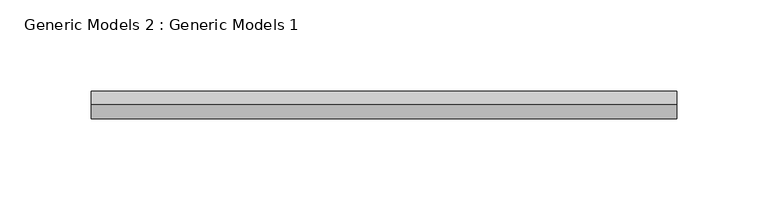
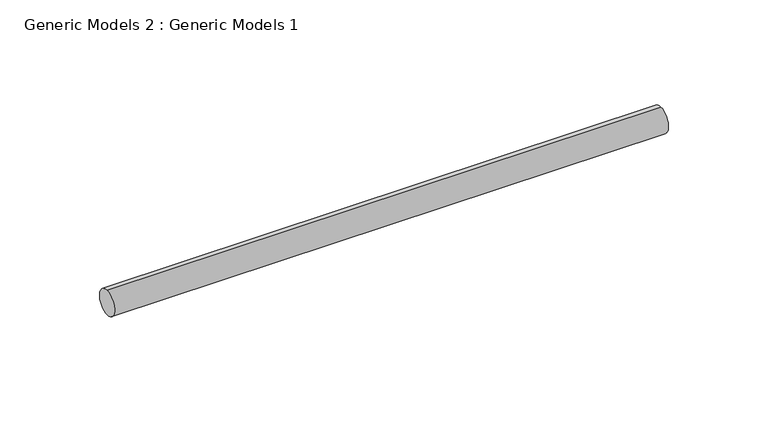
"""IFC4 building model written with IfcOpenShell, lengths in millimetres: proxy geometry, Generic Models 2 : Generic Models 1."""

from ifc_helpers import new_model, si_unit, point, frame, frame_2d, origin, place, context, project, spatial, circle_curve, trimmed, segment, composite_curve, outline, extrude, source, transform, mapped, element, save


def generic_models_2_generic_models_1_7927dd54(model_context):
    return source(origin(), model_context, "Body", "SweptSolid", [
        extrude(outline(composite_curve([segment(trimmed(circle_curve(frame_2d((400.3057469, -818.1141294)), 7.5), [point((400.3057469, -825.6141294))], [point((400.3057469, -810.6141294))], False, "CARTESIAN"), True, "CONTINUOUS"), segment(trimmed(circle_curve(frame_2d((400.3057469, -818.1141294)), 7.5), [point((400.3057469, -810.6141294))], [point((400.3057469, -825.6141294))], False, "CARTESIAN"), True, "CONTINUOUS")], self_intersect=False)), frame((1721.0795255, 0.0, 0.0), z_axis=(1.0, 0.0, 0.0), x_axis=(0.0, 1.0, 0.0)), (0.0, 0.0, 1.0), 321.0),
    ])


if __name__ == "__main__":
    model = new_model("IFC4")
    model_context = context("Model", 3, world=origin())
    ifc_project = project(units=[si_unit("LENGTHUNIT", "METRE", prefix="MILLI")], contexts=[model_context])
    site = spatial("IfcSite", under=ifc_project)
    building = spatial("IfcBuilding", under=site)
    placement = place(None, origin())
    generic_models_2_generic_models_1_shape = generic_models_2_generic_models_1_7927dd54(model_context)
    element("IfcBuildingElementProxy", 1, Name="Generic Models 2 : Generic Models 1", ObjectType="Generic Models 2 : Generic Models 1", at=placement, inside=building, context=model_context, shape_type="MappedRepresentation", body=[
        mapped(generic_models_2_generic_models_1_shape, transform((0.0, 0.0, 0.0), x_axis=(1.0, 0.0, 0.0), y_axis=(0.0, 1.0, 0.0), z_axis=(0.0, 0.0, 1.0))),
    ])
    save(model, "model.ifc")
